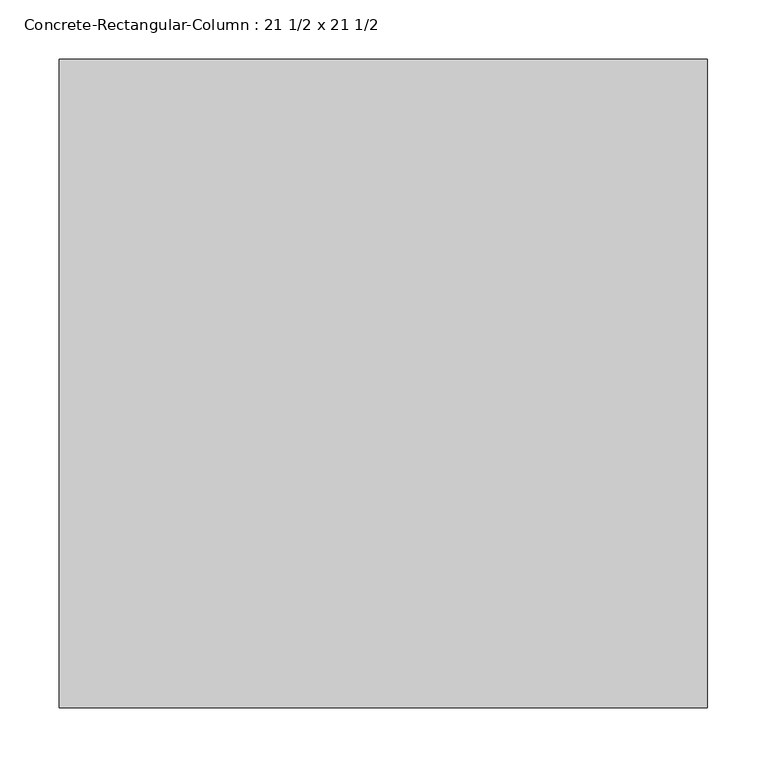
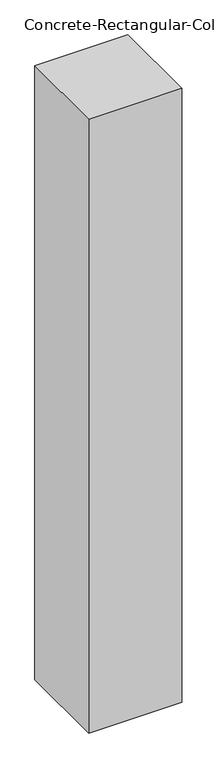
"""IFC4 building model written with IfcOpenShell, lengths in millimetres: column geometry, Concrete-Rectangular-Column : 21 1/2 x 21 1/2."""

from ifc_helpers import new_model, si_unit, origin, origin_with_axes, place, context, project, spatial, polyline, outline, extrude, source, transform, mapped, element, save


def concrete_rectangular_column_21_1_2_x_21_1_2_5e8797fa(model_context):
    return source(origin(), model_context, "Body", "SweptSolid", [
        extrude(outline(polyline([(273.05, -273.05), (-273.05, -273.05), (-273.05, 273.05), (273.05, 273.05), (273.05, -273.05)])), origin_with_axes(), (0.0, 0.0, 1.0), 3810.0),
    ])


if __name__ == "__main__":
    model = new_model("IFC4")
    model_context = context("Model", 3, world=origin())
    ifc_project = project(units=[si_unit("LENGTHUNIT", "METRE", prefix="MILLI")], contexts=[model_context])
    site = spatial("IfcSite", under=ifc_project)
    building = spatial("IfcBuilding", under=site)
    placement = place(None, origin())
    concrete_rectangular_column_21_1_2_x_21_1_2_shape = concrete_rectangular_column_21_1_2_x_21_1_2_5e8797fa(model_context)
    element("IfcColumn", 1, ObjectType="Concrete-Rectangular-Column : 21 1/2 x 21 1/2", at=placement, inside=building, context=model_context, shape_type="MappedRepresentation", body=[
        mapped(concrete_rectangular_column_21_1_2_x_21_1_2_shape, transform((0.0, 0.0, 0.0), x_axis=(1.0, 0.0, 0.0), y_axis=(0.0, 1.0, 0.0), z_axis=(0.0, 0.0, 1.0))),
    ])
    save(model, "model.ifc")
